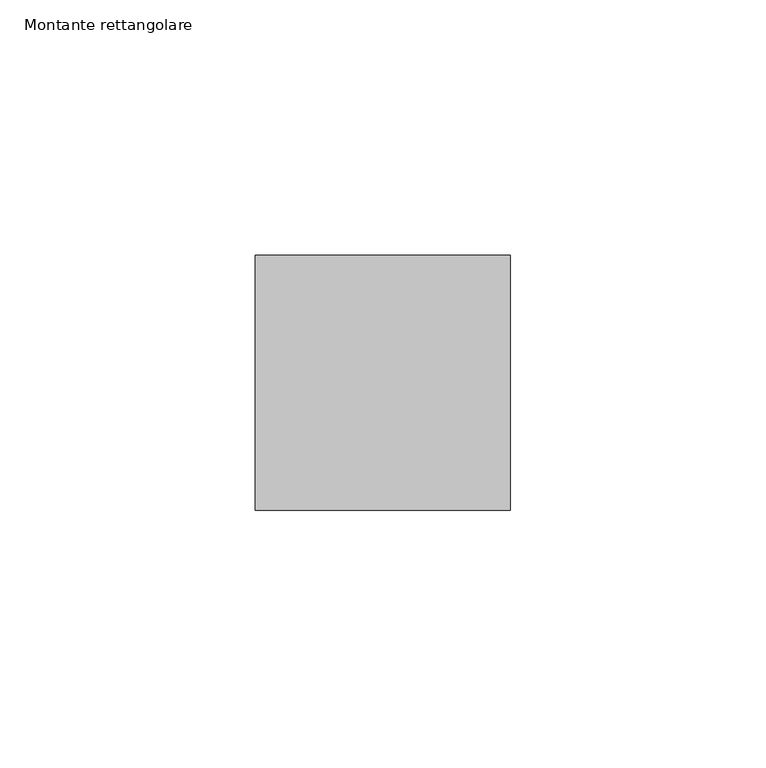
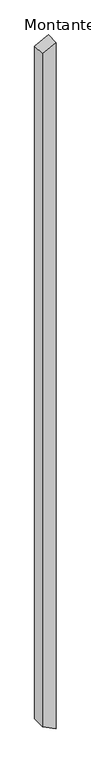
"""IFC4 building model written with IfcOpenShell, lengths in millimetres: member geometry, Montante rettangolare."""

from ifc_helpers import new_model, si_unit, frame, origin, place, context, project, spatial, polyline, outline, extrude, source, transform, mapped, element, save


def montante_rettangolare_58e9eb0e(model_context):
    return source(origin(), model_context, "Body", "SweptSolid", [
        extrude(outline(polyline([(0.0, 0.0), (-26.0283525, -50.0), (-2635.2710693, -50.0), (-2659.6850648, 0.0), (0.0, 0.0)])), frame((0.0, -25.0, 0.0), z_axis=(0.0, 1.0, 0.0), x_axis=(0.0, 0.0, 1.0)), (0.0, 0.0, 1.0), 50.0),
    ])


if __name__ == "__main__":
    model = new_model("IFC4")
    model_context = context("Model", 3, world=origin())
    ifc_project = project(units=[si_unit("LENGTHUNIT", "METRE", prefix="MILLI")], contexts=[model_context])
    site = spatial("IfcSite", under=ifc_project)
    building = spatial("IfcBuilding", under=site)
    placement = place(None, origin())
    montante_rettangolare_shape = montante_rettangolare_58e9eb0e(model_context)
    element("IfcMember", 1, ObjectType="Montante rettangolare", at=placement, inside=building, context=model_context, shape_type="MappedRepresentation", body=[
        mapped(montante_rettangolare_shape, transform((0.0, 0.0, 0.0), x_axis=(1.0, 0.0, 0.0), y_axis=(0.0, 1.0, 0.0), z_axis=(0.0, 0.0, 1.0))),
    ])
    save(model, "model.ifc")
